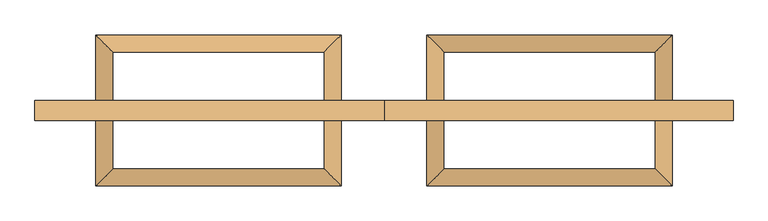
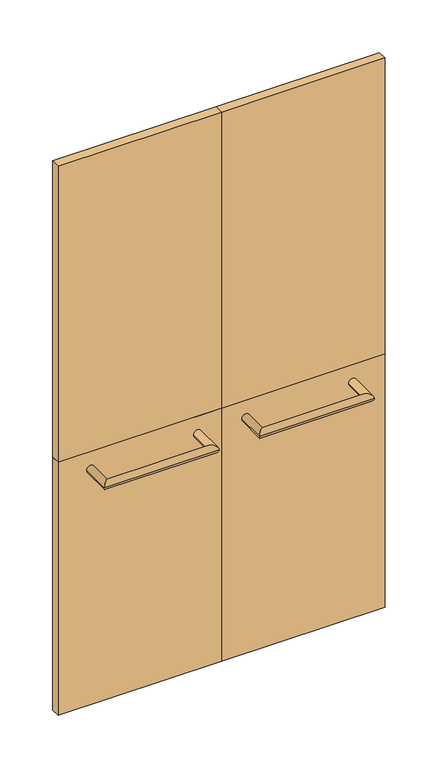
"""IFC4 building model written with IfcOpenShell, lengths in millimetres: door geometry."""

from ifc_helpers import new_model, si_unit, frame, origin, origin_with_axes, place, context, project, spatial, polyline, circle_curve, ellipse_curve, outline, extrude, source, transform, mapped, element, save
from ifc_brep_helpers import plane_surface, cylinder_surface, advanced_brep


def door_7e4cbaa2(model_context):
    return source(origin(), model_context, "Body", "SolidModel", [
        extrude(outline(polyline([(0.0, -17.5), (-611.7552347, -17.5), (-611.7552347, 17.5), (0.0, 17.5), (0.0, -17.5)])), origin_with_axes(), (0.0, 0.0, 1.0), 1000.0),
        extrude(outline(polyline([(0.0, -17.5), (-611.7552347, -17.5), (-611.7552347, 17.5), (0.0, 17.5), (0.0, -17.5)])), frame((0.0, 0.0, 1000.0), z_axis=(0.0, 0.0, 1.0), x_axis=(1.0, 0.0, 0.0)), (0.0, 0.0, 1.0), 1170.0),
        extrude(outline(polyline([(611.7552347, -17.5), (0.0, -17.5), (0.0, 17.5), (611.7552347, 17.5), (611.7552347, -17.5)])), frame((0.0, 0.0, 1000.0), z_axis=(0.0, 0.0, 1.0), x_axis=(1.0, 0.0, 0.0)), (0.0, 0.0, 1.0), 1170.0),
        extrude(outline(polyline([(611.7552347, -17.5), (0.0, -17.5), (0.0, 17.5), (611.7552347, 17.5), (611.7552347, -17.5)])), origin_with_axes(), (0.0, 0.0, 1.0), 1000.0),
        advanced_brep(
        [(75.08, -17.5, 931.6623818), (105.08, -17.5, 931.6623818), (75.08, -132.5, 931.6623818), (105.08, -102.5, 931.6623818), (505.08, -132.5, 931.6623818), (475.08, -102.5, 931.6623818), (505.08, -17.5, 931.6623818), (475.08, -17.5, 931.6623818)],
        [
            (0, 1, circle_curve(frame((90.08, -17.5, 931.6623818), z_axis=(0.0, 1.0, 0.0), x_axis=(1.0, 0.0, 0.0)), 15.0)),
            (1, 0, circle_curve(frame((90.08, -17.5, 931.6623818), z_axis=(0.0, 1.0, 0.0), x_axis=(1.0, 0.0, 0.0)), 15.0)),
            (0, 2),
            (2, 3, ellipse_curve(frame((90.08, -117.5, 931.6623818), z_axis=(-0.7071067811865475, 0.7071067811865475, 0.0), x_axis=(0.7071067811865474, 0.7071067811865476, 0.0)), 21.2132034, 15.0)),
            (3, 1),
            (3, 2, ellipse_curve(frame((90.08, -117.5, 931.6623818), z_axis=(-0.7071067811865475, 0.7071067811865475, 0.0), x_axis=(0.7071067811865474, 0.7071067811865476, 0.0)), 21.2132034, 15.0)),
            (2, 4),
            (4, 5, ellipse_curve(frame((490.08, -117.5, 931.6623818), z_axis=(-0.7071067811865475, -0.7071067811865475, 0.0), x_axis=(-0.7071067811865476, 0.7071067811865474, 0.0)), 21.2132034, 15.0)),
            (5, 3),
            (5, 4, ellipse_curve(frame((490.08, -117.5, 931.6623818), z_axis=(-0.7071067811865475, -0.7071067811865475, 0.0), x_axis=(-0.7071067811865476, 0.7071067811865474, 0.0)), 21.2132034, 15.0)),
            (6, 7, circle_curve(frame((490.08, -17.5, 931.6623818), z_axis=(0.0, 1.0, 0.0), x_axis=(-1.0, 0.0, 0.0)), 15.0)),
            (7, 6, circle_curve(frame((490.08, -17.5, 931.6623818), z_axis=(0.0, 1.0, 0.0), x_axis=(-1.0, 0.0, 0.0)), 15.0)),
            (4, 6),
            (7, 5),
        ],
        [
            plane_surface(frame((90.08, -17.5, 931.6623818), z_axis=(0.0, 1.0, 0.0), x_axis=(0.0, 0.0, 1.0))),
            cylinder_surface(frame((90.08, -17.5, 931.6623818), z_axis=(0.0, 1.0, 0.0), x_axis=(1.0, 0.0, 0.0)), 15.0),
            cylinder_surface(frame((90.08, -117.5, 931.6623818), z_axis=(-1.0, 0.0, 0.0), x_axis=(0.0, 1.0, 0.0)), 15.0),
            plane_surface(frame((490.08, -17.5, 931.6623818), z_axis=(0.0, 1.0, 0.0), x_axis=(0.0, 0.0, 1.0))),
            cylinder_surface(frame((490.08, -117.5, 931.6623818), z_axis=(0.0, -1.0, 0.0), x_axis=(-1.0, 0.0, 0.0)), 15.0),
        ],
        [
            (0, [[1, 2]]),
            (1, [[-1, 3, 4, 5]]),
            (1, [[-2, -5, 6, -3]]),
            (2, [[-4, 7, 8, 9]]),
            (2, [[-6, -9, 10, -7]]),
            (3, [[11, 12]]),
            (4, [[-8, 13, -12, 14]]),
            (4, [[-10, -14, -11, -13]]),
        ],
    ),
        advanced_brep(
        [(-505.0798099, -17.5, 931.6623818), (-475.0798099, -17.5, 931.6623818), (-505.0798099, -132.5, 931.6623818), (-475.0798099, -102.5, 931.6623818), (-75.0798099, -132.5, 931.6623818), (-105.0798099, -102.5, 931.6623818), (-75.0798099, -17.5, 931.6623818), (-105.0798099, -17.5, 931.6623818)],
        [
            (0, 1, circle_curve(frame((-490.0798099, -17.5, 931.6623818), z_axis=(0.0, 1.0, 0.0), x_axis=(1.0, 0.0, 0.0)), 15.0)),
            (1, 0, circle_curve(frame((-490.0798099, -17.5, 931.6623818), z_axis=(0.0, 1.0, 0.0), x_axis=(1.0, 0.0, 0.0)), 15.0)),
            (0, 2),
            (2, 3, ellipse_curve(frame((-490.0798099, -117.5, 931.6623818), z_axis=(-0.7071067811865475, 0.7071067811865475, 0.0), x_axis=(0.7071067811865474, 0.7071067811865476, 0.0)), 21.2132034, 15.0)),
            (3, 1),
            (3, 2, ellipse_curve(frame((-490.0798099, -117.5, 931.6623818), z_axis=(-0.7071067811865475, 0.7071067811865475, 0.0), x_axis=(0.7071067811865474, 0.7071067811865476, 0.0)), 21.2132034, 15.0)),
            (2, 4),
            (4, 5, ellipse_curve(frame((-90.0798099, -117.5, 931.6623818), z_axis=(-0.7071067811865475, -0.7071067811865475, 0.0), x_axis=(-0.7071067811865476, 0.7071067811865474, 0.0)), 21.2132034, 15.0)),
            (5, 3),
            (5, 4, ellipse_curve(frame((-90.0798099, -117.5, 931.6623818), z_axis=(-0.7071067811865475, -0.7071067811865475, 0.0), x_axis=(-0.7071067811865476, 0.7071067811865474, 0.0)), 21.2132034, 15.0)),
            (6, 7, circle_curve(frame((-90.0798099, -17.5, 931.6623818), z_axis=(0.0, 1.0, 0.0), x_axis=(-1.0, 0.0, 0.0)), 15.0)),
            (7, 6, circle_curve(frame((-90.0798099, -17.5, 931.6623818), z_axis=(0.0, 1.0, 0.0), x_axis=(-1.0, 0.0, 0.0)), 15.0)),
            (4, 6),
            (7, 5),
        ],
        [
            plane_surface(frame((-490.0798099, -17.5, 931.6623818), z_axis=(0.0, 1.0, 0.0), x_axis=(0.0, 0.0, 1.0))),
            cylinder_surface(frame((-490.0798099, -17.5, 931.6623818), z_axis=(0.0, 1.0, 0.0), x_axis=(1.0, 0.0, 0.0)), 15.0),
            cylinder_surface(frame((-490.0798099, -117.5, 931.6623818), z_axis=(-1.0, 0.0, 0.0), x_axis=(0.0, 1.0, 0.0)), 15.0),
            plane_surface(frame((-90.0798099, -17.5, 931.6623818), z_axis=(0.0, 1.0, 0.0), x_axis=(0.0, 0.0, 1.0))),
            cylinder_surface(frame((-90.0798099, -117.5, 931.6623818), z_axis=(0.0, -1.0, 0.0), x_axis=(-1.0, 0.0, 0.0)), 15.0),
        ],
        [
            (0, [[1, 2]]),
            (1, [[-1, 3, 4, 5]]),
            (1, [[-2, -5, 6, -3]]),
            (2, [[-4, 7, 8, 9]]),
            (2, [[-6, -9, 10, -7]]),
            (3, [[11, 12]]),
            (4, [[-8, 13, -12, 14]]),
            (4, [[-10, -14, -11, -13]]),
        ],
    ),
        advanced_brep(
        [(105.08, 17.5, 931.6623818), (75.08, 17.5, 931.6623818), (105.08, 102.5, 931.6623818), (75.08, 132.5, 931.6623818), (475.08, 102.5, 931.6623818), (505.08, 132.5, 931.6623818), (475.08, 17.5, 931.6623818), (505.08, 17.5, 931.6623818)],
        [
            (0, 1, circle_curve(frame((90.08, 17.5, 931.6623818), z_axis=(0.0, -1.0, 0.0), x_axis=(-1.0, 0.0, 0.0)), 15.0)),
            (1, 0, circle_curve(frame((90.08, 17.5, 931.6623818), z_axis=(0.0, -1.0, 0.0), x_axis=(-1.0, 0.0, 0.0)), 15.0)),
            (0, 2),
            (2, 3, ellipse_curve(frame((90.08, 117.5, 931.6623818), z_axis=(-0.7071067811865475, -0.7071067811865475, 0.0), x_axis=(0.7071067811865474, -0.7071067811865476, 0.0)), 21.2132034, 15.0)),
            (3, 1),
            (3, 2, ellipse_curve(frame((90.08, 117.5, 931.6623818), z_axis=(-0.7071067811865475, -0.7071067811865475, 0.0), x_axis=(0.7071067811865474, -0.7071067811865476, 0.0)), 21.2132034, 15.0)),
            (2, 4),
            (4, 5, ellipse_curve(frame((490.08, 117.5, 931.6623818), z_axis=(-0.7071067811865475, 0.7071067811865475, 0.0), x_axis=(-0.7071067811865476, -0.7071067811865474, 0.0)), 21.2132034, 15.0)),
            (5, 3),
            (5, 4, ellipse_curve(frame((490.08, 117.5, 931.6623818), z_axis=(-0.7071067811865475, 0.7071067811865475, 0.0), x_axis=(-0.7071067811865476, -0.7071067811865474, 0.0)), 21.2132034, 15.0)),
            (6, 7, circle_curve(frame((490.08, 17.5, 931.6623818), z_axis=(0.0, -1.0, 0.0), x_axis=(1.0, 0.0, 0.0)), 15.0)),
            (7, 6, circle_curve(frame((490.08, 17.5, 931.6623818), z_axis=(0.0, -1.0, 0.0), x_axis=(1.0, 0.0, 0.0)), 15.0)),
            (4, 6),
            (7, 5),
        ],
        [
            plane_surface(frame((90.08, 17.5, 931.6623818), z_axis=(0.0, -1.0, 0.0), x_axis=(0.0, 0.0, 1.0))),
            cylinder_surface(frame((90.08, 17.5, 931.6623818), z_axis=(0.0, -1.0, 0.0), x_axis=(-1.0, 0.0, 0.0)), 15.0),
            cylinder_surface(frame((90.08, 117.5, 931.6623818), z_axis=(-1.0, 0.0, 0.0), x_axis=(0.0, 1.0, 0.0)), 15.0),
            plane_surface(frame((490.08, 17.5, 931.6623818), z_axis=(0.0, -1.0, 0.0), x_axis=(0.0, 0.0, 1.0))),
            cylinder_surface(frame((490.08, 117.5, 931.6623818), z_axis=(0.0, 1.0, 0.0), x_axis=(1.0, 0.0, 0.0)), 15.0),
        ],
        [
            (0, [[1, 2]]),
            (1, [[-1, 3, 4, 5]]),
            (1, [[-2, -5, 6, -3]]),
            (2, [[-4, 7, 8, 9]]),
            (2, [[-6, -9, 10, -7]]),
            (3, [[11, 12]]),
            (4, [[-8, 13, -12, 14]]),
            (4, [[-10, -14, -11, -13]]),
        ],
    ),
        advanced_brep(
        [(-75.0798099, 17.5, 931.6623818), (-105.0798099, 17.5, 931.6623818), (-75.0798099, 132.5, 931.6623818), (-105.0798099, 102.5, 931.6623818), (-505.0798099, 132.5, 931.6623818), (-475.0798099, 102.5, 931.6623818), (-505.0798099, 17.5, 931.6623818), (-475.0798099, 17.5, 931.6623818)],
        [
            (0, 1, circle_curve(frame((-90.0798099, 17.5, 931.6623818), z_axis=(0.0, -1.0, 0.0), x_axis=(-1.0, 0.0, 0.0)), 15.0)),
            (1, 0, circle_curve(frame((-90.0798099, 17.5, 931.6623818), z_axis=(0.0, -1.0, 0.0), x_axis=(-1.0, 0.0, 0.0)), 15.0)),
            (0, 2),
            (2, 3, ellipse_curve(frame((-90.0798099, 117.5, 931.6623818), z_axis=(0.7071067811865475, -0.7071067811865475, 0.0), x_axis=(-0.7071067811865474, -0.7071067811865476, 0.0)), 21.2132034, 15.0)),
            (3, 1),
            (3, 2, ellipse_curve(frame((-90.0798099, 117.5, 931.6623818), z_axis=(0.7071067811865475, -0.7071067811865475, 0.0), x_axis=(-0.7071067811865474, -0.7071067811865476, 0.0)), 21.2132034, 15.0)),
            (2, 4),
            (4, 5, ellipse_curve(frame((-490.0798099, 117.5, 931.6623818), z_axis=(0.7071067811865475, 0.7071067811865475, 0.0), x_axis=(0.7071067811865476, -0.7071067811865474, 0.0)), 21.2132034, 15.0)),
            (5, 3),
            (5, 4, ellipse_curve(frame((-490.0798099, 117.5, 931.6623818), z_axis=(0.7071067811865475, 0.7071067811865475, 0.0), x_axis=(0.7071067811865476, -0.7071067811865474, 0.0)), 21.2132034, 15.0)),
            (6, 7, circle_curve(frame((-490.0798099, 17.5, 931.6623818), z_axis=(0.0, -1.0, 0.0), x_axis=(1.0, 0.0, 0.0)), 15.0)),
            (7, 6, circle_curve(frame((-490.0798099, 17.5, 931.6623818), z_axis=(0.0, -1.0, 0.0), x_axis=(1.0, 0.0, 0.0)), 15.0)),
            (4, 6),
            (7, 5),
        ],
        [
            plane_surface(frame((-90.0798099, 17.5, 931.6623818), z_axis=(0.0, -1.0, 0.0), x_axis=(0.0, 0.0, 1.0))),
            cylinder_surface(frame((-90.0798099, 17.5, 931.6623818), z_axis=(0.0, -1.0, 0.0), x_axis=(-1.0, 0.0, 0.0)), 15.0),
            cylinder_surface(frame((-90.0798099, 117.5, 931.6623818), z_axis=(1.0, 0.0, 0.0), x_axis=(0.0, -1.0, 0.0)), 15.0),
            plane_surface(frame((-490.0798099, 17.5, 931.6623818), z_axis=(0.0, -1.0, 0.0), x_axis=(0.0, 0.0, 1.0))),
            cylinder_surface(frame((-490.0798099, 117.5, 931.6623818), z_axis=(0.0, 1.0, 0.0), x_axis=(1.0, 0.0, 0.0)), 15.0),
        ],
        [
            (0, [[1, 2]]),
            (1, [[-1, 3, 4, 5]]),
            (1, [[-2, -5, 6, -3]]),
            (2, [[-4, 7, 8, 9]]),
            (2, [[-6, -9, 10, -7]]),
            (3, [[11, 12]]),
            (4, [[-8, 13, -12, 14]]),
            (4, [[-10, -14, -11, -13]]),
        ],
    ),
    ])


if __name__ == "__main__":
    model = new_model("IFC4")
    model_context = context("Model", 3, world=origin())
    ifc_project = project(units=[si_unit("LENGTHUNIT", "METRE", prefix="MILLI")], contexts=[model_context])
    site = spatial("IfcSite", under=ifc_project)
    building = spatial("IfcBuilding", under=site)
    placement = place(None, origin())
    door_shape = door_7e4cbaa2(model_context)
    element("IfcDoor", 1, at=placement, inside=building, context=model_context, shape_type="MappedRepresentation", body=[
        mapped(door_shape, transform((0.0, 0.0, 0.0), x_axis=(1.0, 0.0, 0.0), y_axis=(0.0, 1.0, 0.0), z_axis=(0.0, 0.0, 1.0))),
    ])
    save(model, "model.ifc")
